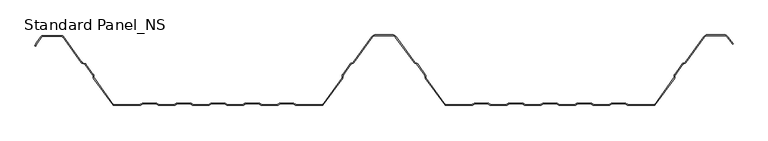
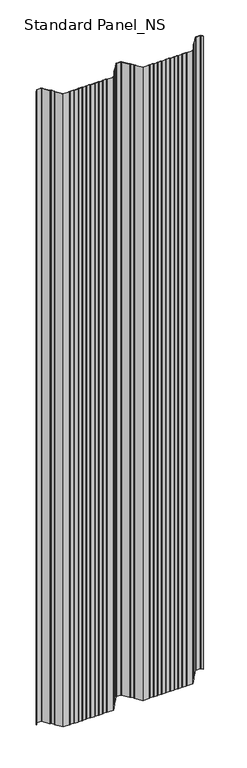
"""IFC4 building model written with IfcOpenShell, lengths in millimetres: proxy geometry, Standard Panel_NS."""

from ifc_helpers import new_model, si_unit, point, frame_2d, origin, origin_with_axes, place, context, project, spatial, polyline, circle_curve, trimmed, segment, composite_curve, outline, extrude, source, transform, mapped, element, save


def standard_panel_ns_827b58df(model_context):
    return source(origin(), model_context, "Body", "SweptSolid", [
        extrude(outline(composite_curve([segment(trimmed(circle_curve(frame_2d((-475.5977664, 97.2513951)), 2.7486049), [point((-477.8230656, 98.864737))], [point((-475.5977664, 100.0))], False, "CARTESIAN"), True, "CONTINUOUS"), segment(polyline([(-475.5977664, 100.0), (-448.4022336, 100.0)]), True, "CONTINUOUS"), segment(trimmed(circle_curve(frame_2d((-448.4022336, 97.2513951)), 2.7486049), [point((-448.4022336, 100.0))], [point((-446.1769344, 98.864737))], False, "CARTESIAN"), True, "CONTINUOUS"), segment(polyline([(-446.1769344, 98.864737), (-419.3812187, 61.9051293)]), True, "CONTINUOUS"), segment(trimmed(circle_curve(frame_2d((-417.96553, 62.9315037)), 1.7486049), [point((-419.3812187, 61.9051293))], [point((-418.5741242, 61.2922257))], True, "CARTESIAN"), True, "CONTINUOUS"), segment(polyline([(-418.5741242, 61.2922257), (-414.780451, 59.8837962)]), True, "CONTINUOUS"), segment(trimmed(circle_curve(frame_2d((-415.7370908, 57.3070406)), 2.7486049), [point((-414.780451, 59.8837962))], [point((-413.5117915, 58.9203825))], False, "CARTESIAN"), True, "CONTINUOUS"), segment(polyline([(-413.5117915, 58.9203825), (-402.7622541, 44.0934344)]), True, "CONTINUOUS"), segment(trimmed(circle_curve(frame_2d((-404.9875533, 42.4800924)), 2.7486049), [point((-402.7622541, 44.0934344))], [point((-402.2410714, 42.5881001))], False, "CARTESIAN"), True, "CONTINUOUS"), segment(polyline([(-402.2410714, 42.5881001), (-402.152896, 40.3459275)]), True, "CONTINUOUS"), segment(trimmed(circle_curve(frame_2d((-400.4056417, 40.4146398)), 1.7486049), [point((-402.152896, 40.3459275))], [point((-401.8213305, 39.3882654))], True, "CARTESIAN"), True, "CONTINUOUS"), segment(polyline([(-401.8213305, 39.3882654), (-373.9898381, 1.0), (-336.1655439, 1.0)]), True, "CONTINUOUS"), segment(trimmed(circle_curve(frame_2d((-336.1655439, 2.7486049)), 1.7486049), [point((-336.1655439, 1.0))], [point((-335.1955925, 1.2936777))], True, "CARTESIAN"), True, "CONTINUOUS"), segment(polyline([(-335.1955925, 1.2936777), (-333.32855, 2.5383726)]), True, "CONTINUOUS"), segment(trimmed(circle_curve(frame_2d((-331.8038984, 0.2513951)), 2.7486049), [point((-333.32855, 2.5383726))], [point((-331.8038984, 3.0))], False, "CARTESIAN"), True, "CONTINUOUS"), segment(polyline([(-331.8038984, 3.0), (-312.8627683, 3.0)]), True, "CONTINUOUS"), segment(trimmed(circle_curve(frame_2d((-312.8627683, 0.2513951)), 2.7486049), [point((-312.8627683, 3.0))], [point((-311.3381166, 2.5383726))], False, "CARTESIAN"), True, "CONTINUOUS"), segment(polyline([(-311.3381166, 2.5383726), (-309.4710742, 1.2936777)]), True, "CONTINUOUS"), segment(trimmed(circle_curve(frame_2d((-308.5011227, 2.7486049)), 1.7486049), [point((-309.4710742, 1.2936777))], [point((-308.5011227, 1.0))], True, "CARTESIAN"), True, "CONTINUOUS"), segment(polyline([(-308.5011227, 1.0), (-286.9988773, 1.0)]), True, "CONTINUOUS"), segment(trimmed(circle_curve(frame_2d((-286.9988773, 2.7486049)), 1.7486049), [point((-286.9988773, 1.0))], [point((-286.0289258, 1.2936777))], True, "CARTESIAN"), True, "CONTINUOUS"), segment(polyline([(-286.0289258, 1.2936777), (-284.1618834, 2.5383726)]), True, "CONTINUOUS"), segment(trimmed(circle_curve(frame_2d((-282.6372317, 0.2513951)), 2.7486049), [point((-284.1618834, 2.5383726))], [point((-282.6372317, 3.0))], False, "CARTESIAN"), True, "CONTINUOUS"), segment(polyline([(-282.6372317, 3.0), (-263.6961016, 3.0)]), True, "CONTINUOUS"), segment(trimmed(circle_curve(frame_2d((-263.6961016, 0.2513951)), 2.7486049), [point((-263.6961016, 3.0))], [point((-262.17145, 2.5383726))], False, "CARTESIAN"), True, "CONTINUOUS"), segment(polyline([(-262.17145, 2.5383726), (-260.3044075, 1.2936777)]), True, "CONTINUOUS"), segment(trimmed(circle_curve(frame_2d((-259.3344561, 2.7486049)), 1.7486049), [point((-260.3044075, 1.2936777))], [point((-259.3344561, 1.0))], True, "CARTESIAN"), True, "CONTINUOUS"), segment(polyline([(-259.3344561, 1.0), (-237.8322106, 1.0)]), True, "CONTINUOUS"), segment(trimmed(circle_curve(frame_2d((-237.8322106, 2.7486049)), 1.7486049), [point((-237.8322106, 1.0))], [point((-236.8622591, 1.2936777))], True, "CARTESIAN"), True, "CONTINUOUS"), segment(polyline([(-236.8622591, 1.2936777), (-234.9952167, 2.5383726)]), True, "CONTINUOUS"), segment(trimmed(circle_curve(frame_2d((-233.470565, 0.2513951)), 2.7486049), [point((-234.9952167, 2.5383726))], [point((-233.470565, 3.0))], False, "CARTESIAN"), True, "CONTINUOUS"), segment(polyline([(-233.470565, 3.0), (-214.529435, 3.0)]), True, "CONTINUOUS"), segment(trimmed(circle_curve(frame_2d((-214.529435, 0.2513951)), 2.7486049), [point((-214.529435, 3.0))], [point((-213.0047833, 2.5383726))], False, "CARTESIAN"), True, "CONTINUOUS"), segment(polyline([(-213.0047833, 2.5383726), (-211.1377409, 1.2936777)]), True, "CONTINUOUS"), segment(trimmed(circle_curve(frame_2d((-210.1677894, 2.7486049)), 1.7486049), [point((-211.1377409, 1.2936777))], [point((-210.1677894, 1.0))], True, "CARTESIAN"), True, "CONTINUOUS"), segment(polyline([(-210.1677894, 1.0), (-188.6655439, 1.0)]), True, "CONTINUOUS"), segment(trimmed(circle_curve(frame_2d((-188.6655439, 2.7486049)), 1.7486049), [point((-188.6655439, 1.0))], [point((-187.6955925, 1.2936777))], True, "CARTESIAN"), True, "CONTINUOUS"), segment(polyline([(-187.6955925, 1.2936777), (-185.82855, 2.5383726)]), True, "CONTINUOUS"), segment(trimmed(circle_curve(frame_2d((-184.3038984, 0.2513951)), 2.7486049), [point((-185.82855, 2.5383726))], [point((-184.3038984, 3.0))], False, "CARTESIAN"), True, "CONTINUOUS"), segment(polyline([(-184.3038984, 3.0), (-165.3627683, 3.0)]), True, "CONTINUOUS"), segment(trimmed(circle_curve(frame_2d((-165.3627683, 0.2513951)), 2.7486049), [point((-165.3627683, 3.0))], [point((-163.8381166, 2.5383726))], False, "CARTESIAN"), True, "CONTINUOUS"), segment(polyline([(-163.8381166, 2.5383726), (-161.9710742, 1.2936777)]), True, "CONTINUOUS"), segment(trimmed(circle_curve(frame_2d((-161.0011227, 2.7486049)), 1.7486049), [point((-161.9710742, 1.2936777))], [point((-161.0011227, 1.0))], True, "CARTESIAN"), True, "CONTINUOUS"), segment(polyline([(-161.0011227, 1.0), (-139.4988773, 1.0)]), True, "CONTINUOUS"), segment(trimmed(circle_curve(frame_2d((-139.4988773, 2.7486049)), 1.7486049), [point((-139.4988773, 1.0))], [point((-138.5289258, 1.2936777))], True, "CARTESIAN"), True, "CONTINUOUS"), segment(polyline([(-138.5289258, 1.2936777), (-136.6618834, 2.5383726)]), True, "CONTINUOUS"), segment(trimmed(circle_curve(frame_2d((-135.1372317, 0.2513951)), 2.7486049), [point((-136.6618834, 2.5383726))], [point((-135.1372317, 3.0))], False, "CARTESIAN"), True, "CONTINUOUS"), segment(polyline([(-135.1372317, 3.0), (-116.1961016, 3.0)]), True, "CONTINUOUS"), segment(trimmed(circle_curve(frame_2d((-116.1961016, 0.2513951)), 2.7486049), [point((-116.1961016, 3.0))], [point((-114.67145, 2.5383726))], False, "CARTESIAN"), True, "CONTINUOUS"), segment(polyline([(-114.67145, 2.5383726), (-112.8044075, 1.2936777)]), True, "CONTINUOUS"), segment(trimmed(circle_curve(frame_2d((-111.8344561, 2.7486049)), 1.7486049), [point((-112.8044075, 1.2936777))], [point((-111.8344561, 1.0))], True, "CARTESIAN"), True, "CONTINUOUS"), segment(polyline([(-111.8344561, 1.0), (-74.0101619, 1.0), (-46.1786695, 39.3882654)]), True, "CONTINUOUS"), segment(trimmed(circle_curve(frame_2d((-47.5943583, 40.4146398)), 1.7486049), [point((-46.1786695, 39.3882654))], [point((-45.847104, 40.3459275))], True, "CARTESIAN"), True, "CONTINUOUS"), segment(polyline([(-45.847104, 40.3459275), (-45.7589286, 42.5881001)]), True, "CONTINUOUS"), segment(trimmed(circle_curve(frame_2d((-43.0124467, 42.4800924)), 2.7486049), [point((-45.7589286, 42.5881001))], [point((-45.2377459, 44.0934344))], False, "CARTESIAN"), True, "CONTINUOUS"), segment(polyline([(-45.2377459, 44.0934344), (-34.1199168, 59.4283711)]), True, "CONTINUOUS"), segment(trimmed(circle_curve(frame_2d((-31.8946175, 57.8150291)), 2.7486049), [point((-34.1199168, 59.4283711))], [point((-32.8512573, 60.3917847))], False, "CARTESIAN"), True, "CONTINUOUS"), segment(polyline([(-32.8512573, 60.3917847), (-30.747646, 61.1727662)]), True, "CONTINUOUS"), segment(trimmed(circle_curve(frame_2d((-31.3562402, 62.8120441)), 1.7486049), [point((-30.747646, 61.1727662))], [point((-29.9405514, 61.7856697))], True, "CARTESIAN"), True, "CONTINUOUS"), segment(polyline([(-29.9405514, 61.7856697), (-3.306853, 98.5218054)]), True, "CONTINUOUS"), segment(trimmed(circle_curve(frame_2d((1.5508097, 95.0)), 6.0), [point((-3.306853, 98.5218054))], [point((1.5508097, 101.0))], False, "CARTESIAN"), True, "CONTINUOUS"), segment(polyline([(1.5508097, 101.0), (26.4491903, 101.0)]), True, "CONTINUOUS"), segment(trimmed(circle_curve(frame_2d((26.4491903, 95.0)), 6.0), [point((26.4491903, 101.0))], [point((31.306853, 98.5218054))], False, "CARTESIAN"), True, "CONTINUOUS"), segment(polyline([(31.306853, 98.5218054), (57.9405514, 61.7856697)]), True, "CONTINUOUS"), segment(trimmed(circle_curve(frame_2d((59.3562402, 62.8120441)), 1.7486049), [point((57.9405514, 61.7856697))], [point((58.747646, 61.1727662))], True, "CARTESIAN"), True, "CONTINUOUS"), segment(polyline([(58.747646, 61.1727662), (60.8512573, 60.3917847)]), True, "CONTINUOUS"), segment(trimmed(circle_curve(frame_2d((59.8946175, 57.8150291)), 2.7486049), [point((60.8512573, 60.3917847))], [point((62.1199168, 59.4283711))], False, "CARTESIAN"), True, "CONTINUOUS"), segment(polyline([(62.1199168, 59.4283711), (73.2377459, 44.0934344)]), True, "CONTINUOUS"), segment(trimmed(circle_curve(frame_2d((71.0124467, 42.4800924)), 2.7486049), [point((73.2377459, 44.0934344))], [point((73.7589286, 42.5881001))], False, "CARTESIAN"), True, "CONTINUOUS"), segment(polyline([(73.7589286, 42.5881001), (73.847104, 40.3459275)]), True, "CONTINUOUS"), segment(trimmed(circle_curve(frame_2d((75.5943583, 40.4146398)), 1.7486049), [point((73.847104, 40.3459275))], [point((74.1786695, 39.3882654))], True, "CARTESIAN"), True, "CONTINUOUS"), segment(polyline([(74.1786695, 39.3882654), (102.0101619, 1.0), (139.8344561, 1.0)]), True, "CONTINUOUS"), segment(trimmed(circle_curve(frame_2d((139.8344561, 2.7486049)), 1.7486049), [point((139.8344561, 1.0))], [point((140.8044075, 1.2936777))], True, "CARTESIAN"), True, "CONTINUOUS"), segment(polyline([(140.8044075, 1.2936777), (142.67145, 2.5383726)]), True, "CONTINUOUS"), segment(trimmed(circle_curve(frame_2d((144.1961016, 0.2513951)), 2.7486049), [point((142.67145, 2.5383726))], [point((144.1961016, 3.0))], False, "CARTESIAN"), True, "CONTINUOUS"), segment(polyline([(144.1961016, 3.0), (163.1372317, 3.0)]), True, "CONTINUOUS"), segment(trimmed(circle_curve(frame_2d((163.1372317, 0.2513951)), 2.7486049), [point((163.1372317, 3.0))], [point((164.6618834, 2.5383726))], False, "CARTESIAN"), True, "CONTINUOUS"), segment(polyline([(164.6618834, 2.5383726), (166.5289258, 1.2936777)]), True, "CONTINUOUS"), segment(trimmed(circle_curve(frame_2d((167.4988773, 2.7486049)), 1.7486049), [point((166.5289258, 1.2936777))], [point((167.4988773, 1.0))], True, "CARTESIAN"), True, "CONTINUOUS"), segment(polyline([(167.4988773, 1.0), (189.0011227, 1.0)]), True, "CONTINUOUS"), segment(trimmed(circle_curve(frame_2d((189.0011227, 2.7486049)), 1.7486049), [point((189.0011227, 1.0))], [point((189.9710742, 1.2936777))], True, "CARTESIAN"), True, "CONTINUOUS"), segment(polyline([(189.9710742, 1.2936777), (191.8381166, 2.5383726)]), True, "CONTINUOUS"), segment(trimmed(circle_curve(frame_2d((193.3627683, 0.2513951)), 2.7486049), [point((191.8381166, 2.5383726))], [point((193.3627683, 3.0))], False, "CARTESIAN"), True, "CONTINUOUS"), segment(polyline([(193.3627683, 3.0), (212.3038984, 3.0)]), True, "CONTINUOUS"), segment(trimmed(circle_curve(frame_2d((212.3038984, 0.2513951)), 2.7486049), [point((212.3038984, 3.0))], [point((213.82855, 2.5383726))], False, "CARTESIAN"), True, "CONTINUOUS"), segment(polyline([(213.82855, 2.5383726), (215.6955925, 1.2936777)]), True, "CONTINUOUS"), segment(trimmed(circle_curve(frame_2d((216.6655439, 2.7486049)), 1.7486049), [point((215.6955925, 1.2936777))], [point((216.6655439, 1.0))], True, "CARTESIAN"), True, "CONTINUOUS"), segment(polyline([(216.6655439, 1.0), (238.1677894, 1.0)]), True, "CONTINUOUS"), segment(trimmed(circle_curve(frame_2d((238.1677894, 2.7486049)), 1.7486049), [point((238.1677894, 1.0))], [point((239.1377409, 1.2936777))], True, "CARTESIAN"), True, "CONTINUOUS"), segment(polyline([(239.1377409, 1.2936777), (241.0047833, 2.5383726)]), True, "CONTINUOUS"), segment(trimmed(circle_curve(frame_2d((242.529435, 0.2513951)), 2.7486049), [point((241.0047833, 2.5383726))], [point((242.529435, 3.0))], False, "CARTESIAN"), True, "CONTINUOUS"), segment(polyline([(242.529435, 3.0), (261.470565, 3.0)]), True, "CONTINUOUS"), segment(trimmed(circle_curve(frame_2d((261.470565, 0.2513951)), 2.7486049), [point((261.470565, 3.0))], [point((262.9952167, 2.5383726))], False, "CARTESIAN"), True, "CONTINUOUS"), segment(polyline([(262.9952167, 2.5383726), (264.8622591, 1.2936777)]), True, "CONTINUOUS"), segment(trimmed(circle_curve(frame_2d((265.8322106, 2.7486049)), 1.7486049), [point((264.8622591, 1.2936777))], [point((265.8322106, 1.0))], True, "CARTESIAN"), True, "CONTINUOUS"), segment(polyline([(265.8322106, 1.0), (287.3344561, 1.0)]), True, "CONTINUOUS"), segment(trimmed(circle_curve(frame_2d((287.3344561, 2.7486049)), 1.7486049), [point((287.3344561, 1.0))], [point((288.3044075, 1.2936777))], True, "CARTESIAN"), True, "CONTINUOUS"), segment(polyline([(288.3044075, 1.2936777), (290.17145, 2.5383726)]), True, "CONTINUOUS"), segment(trimmed(circle_curve(frame_2d((291.6961016, 0.2513951)), 2.7486049), [point((290.17145, 2.5383726))], [point((291.6961016, 3.0))], False, "CARTESIAN"), True, "CONTINUOUS"), segment(polyline([(291.6961016, 3.0), (310.6372317, 3.0)]), True, "CONTINUOUS"), segment(trimmed(circle_curve(frame_2d((310.6372317, 0.2513951)), 2.7486049), [point((310.6372317, 3.0))], [point((312.1618834, 2.5383726))], False, "CARTESIAN"), True, "CONTINUOUS"), segment(polyline([(312.1618834, 2.5383726), (314.0289258, 1.2936777)]), True, "CONTINUOUS"), segment(trimmed(circle_curve(frame_2d((314.9988773, 2.7486049)), 1.7486049), [point((314.0289258, 1.2936777))], [point((314.9988773, 1.0))], True, "CARTESIAN"), True, "CONTINUOUS"), segment(polyline([(314.9988773, 1.0), (336.5011227, 1.0)]), True, "CONTINUOUS"), segment(trimmed(circle_curve(frame_2d((336.5011227, 2.7486049)), 1.7486049), [point((336.5011227, 1.0))], [point((337.4710742, 1.2936777))], True, "CARTESIAN"), True, "CONTINUOUS"), segment(polyline([(337.4710742, 1.2936777), (339.3381166, 2.5383726)]), True, "CONTINUOUS"), segment(trimmed(circle_curve(frame_2d((340.8627683, 0.2513951)), 2.7486049), [point((339.3381166, 2.5383726))], [point((340.8627683, 3.0))], False, "CARTESIAN"), True, "CONTINUOUS"), segment(polyline([(340.8627683, 3.0), (359.8038984, 3.0)]), True, "CONTINUOUS"), segment(trimmed(circle_curve(frame_2d((359.8038984, 0.2513951)), 2.7486049), [point((359.8038984, 3.0))], [point((361.32855, 2.5383726))], False, "CARTESIAN"), True, "CONTINUOUS"), segment(polyline([(361.32855, 2.5383726), (363.1955925, 1.2936777)]), True, "CONTINUOUS"), segment(trimmed(circle_curve(frame_2d((364.1655439, 2.7486049)), 1.7486049), [point((363.1955925, 1.2936777))], [point((364.1655439, 1.0))], True, "CARTESIAN"), True, "CONTINUOUS"), segment(polyline([(364.1655439, 1.0), (401.9898381, 1.0), (429.8213305, 39.3882654)]), True, "CONTINUOUS"), segment(trimmed(circle_curve(frame_2d((428.4056417, 40.4146398)), 1.7486049), [point((429.8213305, 39.3882654))], [point((430.152896, 40.3459275))], True, "CARTESIAN"), True, "CONTINUOUS"), segment(polyline([(430.152896, 40.3459275), (430.2410714, 42.5881001)]), True, "CONTINUOUS"), segment(trimmed(circle_curve(frame_2d((432.9875533, 42.4800924)), 2.7486049), [point((430.2410714, 42.5881001))], [point((430.7622541, 44.0934344))], False, "CARTESIAN"), True, "CONTINUOUS"), segment(polyline([(430.7622541, 44.0934344), (441.8800832, 59.4283711)]), True, "CONTINUOUS"), segment(trimmed(circle_curve(frame_2d((444.1053825, 57.8150291)), 2.7486049), [point((441.8800832, 59.4283711))], [point((443.1487427, 60.3917847))], False, "CARTESIAN"), True, "CONTINUOUS"), segment(polyline([(443.1487427, 60.3917847), (445.252354, 61.1727662)]), True, "CONTINUOUS"), segment(trimmed(circle_curve(frame_2d((444.6437598, 62.8120441)), 1.7486049), [point((445.252354, 61.1727662))], [point((446.0594486, 61.7856697))], True, "CARTESIAN"), True, "CONTINUOUS"), segment(polyline([(446.0594486, 61.7856697), (472.693147, 98.5218054)]), True, "CONTINUOUS"), segment(trimmed(circle_curve(frame_2d((477.5508097, 95.0)), 6.0), [point((472.693147, 98.5218054))], [point((477.5508097, 101.0))], False, "CARTESIAN"), True, "CONTINUOUS"), segment(polyline([(477.5508097, 101.0), (502.4491903, 101.0)]), True, "CONTINUOUS"), segment(trimmed(circle_curve(frame_2d((502.4491903, 95.0)), 6.0), [point((502.4491903, 101.0))], [point((507.306853, 98.5218054))], False, "CARTESIAN"), True, "CONTINUOUS"), segment(polyline([(507.306853, 98.5218054), (514.614124, 88.4428109), (513.8045136, 87.8558433), (506.4972426, 97.9348379)]), True, "CONTINUOUS"), segment(trimmed(circle_curve(frame_2d((502.4491903, 95.0)), 5.0), [point((506.4972426, 97.9348379))], [point((502.4491903, 100.0))], True, "CARTESIAN"), True, "CONTINUOUS"), segment(polyline([(502.4491903, 100.0), (477.5508097, 100.0)]), True, "CONTINUOUS"), segment(trimmed(circle_curve(frame_2d((477.5508097, 95.0)), 5.0), [point((477.5508097, 100.0))], [point((473.5027574, 97.9348379))], True, "CARTESIAN"), True, "CONTINUOUS"), segment(polyline([(473.5027574, 97.9348379), (446.8690591, 61.1987022)]), True, "CONTINUOUS"), segment(trimmed(circle_curve(frame_2d((444.6437598, 62.8120441)), 2.7486049), [point((446.8690591, 61.1987022))], [point((445.6003996, 60.2352885))], False, "CARTESIAN"), True, "CONTINUOUS"), segment(polyline([(445.6003996, 60.2352885), (443.4967883, 59.4543071)]), True, "CONTINUOUS"), segment(trimmed(circle_curve(frame_2d((444.1053825, 57.8150291)), 1.7486049), [point((443.4967883, 59.4543071))], [point((442.6896937, 58.8414035))], True, "CARTESIAN"), True, "CONTINUOUS"), segment(polyline([(442.6896937, 58.8414035), (431.5718646, 43.5064668)]), True, "CONTINUOUS"), segment(trimmed(circle_curve(frame_2d((432.9875533, 42.4800924)), 1.7486049), [point((431.5718646, 43.5064668))], [point((431.240299, 42.5488047))], True, "CARTESIAN"), True, "CONTINUOUS"), segment(polyline([(431.240299, 42.5488047), (431.1521237, 40.3066321)]), True, "CONTINUOUS"), segment(trimmed(circle_curve(frame_2d((428.4056417, 40.4146398)), 2.7486049), [point((431.1521237, 40.3066321))], [point((430.6309409, 38.8012978))], False, "CARTESIAN"), True, "CONTINUOUS"), segment(polyline([(430.6309409, 38.8012978), (402.5, 0.0), (364.1655439, 0.0)]), True, "CONTINUOUS"), segment(trimmed(circle_curve(frame_2d((364.1655439, 2.7486049)), 2.7486049), [point((364.1655439, 0.0))], [point((362.6408923, 0.4616274))], False, "CARTESIAN"), True, "CONTINUOUS"), segment(polyline([(362.6408923, 0.4616274), (360.7738498, 1.7063223)]), True, "CONTINUOUS"), segment(trimmed(circle_curve(frame_2d((359.8038984, 0.2513951)), 1.7486049), [point((360.7738498, 1.7063223))], [point((359.8038984, 2.0))], True, "CARTESIAN"), True, "CONTINUOUS"), segment(polyline([(359.8038984, 2.0), (340.8627683, 2.0)]), True, "CONTINUOUS"), segment(trimmed(circle_curve(frame_2d((340.8627683, 0.2513951)), 1.7486049), [point((340.8627683, 2.0))], [point((339.8928168, 1.7063223))], True, "CARTESIAN"), True, "CONTINUOUS"), segment(polyline([(339.8928168, 1.7063223), (338.0257744, 0.4616274)]), True, "CONTINUOUS"), segment(trimmed(circle_curve(frame_2d((336.5011227, 2.7486049)), 2.7486049), [point((338.0257744, 0.4616274))], [point((336.5011227, 0.0))], False, "CARTESIAN"), True, "CONTINUOUS"), segment(polyline([(336.5011227, 0.0), (314.9988773, 0.0)]), True, "CONTINUOUS"), segment(trimmed(circle_curve(frame_2d((314.9988773, 2.7486049)), 2.7486049), [point((314.9988773, 0.0))], [point((313.4742256, 0.4616274))], False, "CARTESIAN"), True, "CONTINUOUS"), segment(polyline([(313.4742256, 0.4616274), (311.6071832, 1.7063223)]), True, "CONTINUOUS"), segment(trimmed(circle_curve(frame_2d((310.6372317, 0.2513951)), 1.7486049), [point((311.6071832, 1.7063223))], [point((310.6372317, 2.0))], True, "CARTESIAN"), True, "CONTINUOUS"), segment(polyline([(310.6372317, 2.0), (291.6961016, 2.0)]), True, "CONTINUOUS"), segment(trimmed(circle_curve(frame_2d((291.6961016, 0.2513951)), 1.7486049), [point((291.6961016, 2.0))], [point((290.7261502, 1.7063223))], True, "CARTESIAN"), True, "CONTINUOUS"), segment(polyline([(290.7261502, 1.7063223), (288.8591077, 0.4616274)]), True, "CONTINUOUS"), segment(trimmed(circle_curve(frame_2d((287.3344561, 2.7486049)), 2.7486049), [point((288.8591077, 0.4616274))], [point((287.3344561, 0.0))], False, "CARTESIAN"), True, "CONTINUOUS"), segment(polyline([(287.3344561, 0.0), (265.8322106, 0.0)]), True, "CONTINUOUS"), segment(trimmed(circle_curve(frame_2d((265.8322106, 2.7486049)), 2.7486049), [point((265.8322106, 0.0))], [point((264.3075589, 0.4616274))], False, "CARTESIAN"), True, "CONTINUOUS"), segment(polyline([(264.3075589, 0.4616274), (262.4405165, 1.7063223)]), True, "CONTINUOUS"), segment(trimmed(circle_curve(frame_2d((261.470565, 0.2513951)), 1.7486049), [point((262.4405165, 1.7063223))], [point((261.470565, 2.0))], True, "CARTESIAN"), True, "CONTINUOUS"), segment(polyline([(261.470565, 2.0), (242.529435, 2.0)]), True, "CONTINUOUS"), segment(trimmed(circle_curve(frame_2d((242.529435, 0.2513951)), 1.7486049), [point((242.529435, 2.0))], [point((241.5594835, 1.7063223))], True, "CARTESIAN"), True, "CONTINUOUS"), segment(polyline([(241.5594835, 1.7063223), (239.6924411, 0.4616274)]), True, "CONTINUOUS"), segment(trimmed(circle_curve(frame_2d((238.1677894, 2.7486049)), 2.7486049), [point((239.6924411, 0.4616274))], [point((238.1677894, 0.0))], False, "CARTESIAN"), True, "CONTINUOUS"), segment(polyline([(238.1677894, 0.0), (216.6655439, 0.0)]), True, "CONTINUOUS"), segment(trimmed(circle_curve(frame_2d((216.6655439, 2.7486049)), 2.7486049), [point((216.6655439, 0.0))], [point((215.1408923, 0.4616274))], False, "CARTESIAN"), True, "CONTINUOUS"), segment(polyline([(215.1408923, 0.4616274), (213.2738498, 1.7063223)]), True, "CONTINUOUS"), segment(trimmed(circle_curve(frame_2d((212.3038984, 0.2513951)), 1.7486049), [point((213.2738498, 1.7063223))], [point((212.3038984, 2.0))], True, "CARTESIAN"), True, "CONTINUOUS"), segment(polyline([(212.3038984, 2.0), (193.3627683, 2.0)]), True, "CONTINUOUS"), segment(trimmed(circle_curve(frame_2d((193.3627683, 0.2513951)), 1.7486049), [point((193.3627683, 2.0))], [point((192.3928168, 1.7063223))], True, "CARTESIAN"), True, "CONTINUOUS"), segment(polyline([(192.3928168, 1.7063223), (190.5257744, 0.4616274)]), True, "CONTINUOUS"), segment(trimmed(circle_curve(frame_2d((189.0011227, 2.7486049)), 2.7486049), [point((190.5257744, 0.4616274))], [point((189.0011227, 0.0))], False, "CARTESIAN"), True, "CONTINUOUS"), segment(polyline([(189.0011227, 0.0), (167.4988773, 0.0)]), True, "CONTINUOUS"), segment(trimmed(circle_curve(frame_2d((167.4988773, 2.7486049)), 2.7486049), [point((167.4988773, 0.0))], [point((165.9742256, 0.4616274))], False, "CARTESIAN"), True, "CONTINUOUS"), segment(polyline([(165.9742256, 0.4616274), (164.1071832, 1.7063223)]), True, "CONTINUOUS"), segment(trimmed(circle_curve(frame_2d((163.1372317, 0.2513951)), 1.7486049), [point((164.1071832, 1.7063223))], [point((163.1372317, 2.0))], True, "CARTESIAN"), True, "CONTINUOUS"), segment(polyline([(163.1372317, 2.0), (144.1961016, 2.0)]), True, "CONTINUOUS"), segment(trimmed(circle_curve(frame_2d((144.1961016, 0.2513951)), 1.7486049), [point((144.1961016, 2.0))], [point((143.2261502, 1.7063223))], True, "CARTESIAN"), True, "CONTINUOUS"), segment(polyline([(143.2261502, 1.7063223), (141.3591077, 0.4616274)]), True, "CONTINUOUS"), segment(trimmed(circle_curve(frame_2d((139.8344561, 2.7486049)), 2.7486049), [point((141.3591077, 0.4616274))], [point((139.8344561, 0.0))], False, "CARTESIAN"), True, "CONTINUOUS"), segment(polyline([(139.8344561, 0.0), (101.5, 0.0), (73.3690591, 38.8012978)]), True, "CONTINUOUS"), segment(trimmed(circle_curve(frame_2d((75.5943583, 40.4146398)), 2.7486049), [point((73.3690591, 38.8012978))], [point((72.8478763, 40.3066321))], False, "CARTESIAN"), True, "CONTINUOUS"), segment(polyline([(72.8478763, 40.3066321), (72.759701, 42.5488047)]), True, "CONTINUOUS"), segment(trimmed(circle_curve(frame_2d((71.0124467, 42.4800924)), 1.7486049), [point((72.759701, 42.5488047))], [point((72.4281354, 43.5064668))], True, "CARTESIAN"), True, "CONTINUOUS"), segment(polyline([(72.4281354, 43.5064668), (61.3103063, 58.8414035)]), True, "CONTINUOUS"), segment(trimmed(circle_curve(frame_2d((59.8946175, 57.8150291)), 1.7486049), [point((61.3103063, 58.8414035))], [point((60.5032117, 59.4543071))], True, "CARTESIAN"), True, "CONTINUOUS"), segment(polyline([(60.5032117, 59.4543071), (58.3996004, 60.2352885)]), True, "CONTINUOUS"), segment(trimmed(circle_curve(frame_2d((59.3562402, 62.8120441)), 2.7486049), [point((58.3996004, 60.2352885))], [point((57.1309409, 61.1987022))], False, "CARTESIAN"), True, "CONTINUOUS"), segment(polyline([(57.1309409, 61.1987022), (30.4972426, 97.9348379)]), True, "CONTINUOUS"), segment(trimmed(circle_curve(frame_2d((26.4491903, 95.0)), 5.0), [point((30.4972426, 97.9348379))], [point((26.4491903, 100.0))], True, "CARTESIAN"), True, "CONTINUOUS"), segment(polyline([(26.4491903, 100.0), (1.5508097, 100.0)]), True, "CONTINUOUS"), segment(trimmed(circle_curve(frame_2d((1.5508097, 95.0)), 5.0), [point((1.5508097, 100.0))], [point((-2.4972426, 97.9348379))], True, "CARTESIAN"), True, "CONTINUOUS"), segment(polyline([(-2.4972426, 97.9348379), (-29.1309409, 61.1987022)]), True, "CONTINUOUS"), segment(trimmed(circle_curve(frame_2d((-31.3562402, 62.8120441)), 2.7486049), [point((-29.1309409, 61.1987022))], [point((-30.3996004, 60.2352885))], False, "CARTESIAN"), True, "CONTINUOUS"), segment(polyline([(-30.3996004, 60.2352885), (-32.5032117, 59.4543071)]), True, "CONTINUOUS"), segment(trimmed(circle_curve(frame_2d((-31.8946175, 57.8150291)), 1.7486049), [point((-32.5032117, 59.4543071))], [point((-33.3103063, 58.8414035))], True, "CARTESIAN"), True, "CONTINUOUS"), segment(polyline([(-33.3103063, 58.8414035), (-44.4281354, 43.5064668)]), True, "CONTINUOUS"), segment(trimmed(circle_curve(frame_2d((-43.0124467, 42.4800924)), 1.7486049), [point((-44.4281354, 43.5064668))], [point((-44.759701, 42.5488047))], True, "CARTESIAN"), True, "CONTINUOUS"), segment(polyline([(-44.759701, 42.5488047), (-44.8478763, 40.3066321)]), True, "CONTINUOUS"), segment(trimmed(circle_curve(frame_2d((-47.5943583, 40.4146398)), 2.7486049), [point((-44.8478763, 40.3066321))], [point((-45.3690591, 38.8012978))], False, "CARTESIAN"), True, "CONTINUOUS"), segment(polyline([(-45.3690591, 38.8012978), (-73.5, 0.0), (-111.8344561, 0.0)]), True, "CONTINUOUS"), segment(trimmed(circle_curve(frame_2d((-111.8344561, 2.7486049)), 2.7486049), [point((-111.8344561, 0.0))], [point((-113.3591077, 0.4616274))], False, "CARTESIAN"), True, "CONTINUOUS"), segment(polyline([(-113.3591077, 0.4616274), (-115.2261502, 1.7063223)]), True, "CONTINUOUS"), segment(trimmed(circle_curve(frame_2d((-116.1961016, 0.2513951)), 1.7486049), [point((-115.2261502, 1.7063223))], [point((-116.1961016, 2.0))], True, "CARTESIAN"), True, "CONTINUOUS"), segment(polyline([(-116.1961016, 2.0), (-135.1372317, 2.0)]), True, "CONTINUOUS"), segment(trimmed(circle_curve(frame_2d((-135.1372317, 0.2513951)), 1.7486049), [point((-135.1372317, 2.0))], [point((-136.1071832, 1.7063223))], True, "CARTESIAN"), True, "CONTINUOUS"), segment(polyline([(-136.1071832, 1.7063223), (-137.9742256, 0.4616274)]), True, "CONTINUOUS"), segment(trimmed(circle_curve(frame_2d((-139.4988773, 2.7486049)), 2.7486049), [point((-137.9742256, 0.4616274))], [point((-139.4988773, 0.0))], False, "CARTESIAN"), True, "CONTINUOUS"), segment(polyline([(-139.4988773, 0.0), (-161.0011227, 0.0)]), True, "CONTINUOUS"), segment(trimmed(circle_curve(frame_2d((-161.0011227, 2.7486049)), 2.7486049), [point((-161.0011227, 0.0))], [point((-162.5257744, 0.4616274))], False, "CARTESIAN"), True, "CONTINUOUS"), segment(polyline([(-162.5257744, 0.4616274), (-164.3928168, 1.7063223)]), True, "CONTINUOUS"), segment(trimmed(circle_curve(frame_2d((-165.3627683, 0.2513951)), 1.7486049), [point((-164.3928168, 1.7063223))], [point((-165.3627683, 2.0))], True, "CARTESIAN"), True, "CONTINUOUS"), segment(polyline([(-165.3627683, 2.0), (-184.3038984, 2.0)]), True, "CONTINUOUS"), segment(trimmed(circle_curve(frame_2d((-184.3038984, 0.2513951)), 1.7486049), [point((-184.3038984, 2.0))], [point((-185.2738498, 1.7063223))], True, "CARTESIAN"), True, "CONTINUOUS"), segment(polyline([(-185.2738498, 1.7063223), (-187.1408923, 0.4616274)]), True, "CONTINUOUS"), segment(trimmed(circle_curve(frame_2d((-188.6655439, 2.7486049)), 2.7486049), [point((-187.1408923, 0.4616274))], [point((-188.6655439, 0.0))], False, "CARTESIAN"), True, "CONTINUOUS"), segment(polyline([(-188.6655439, 0.0), (-210.1677894, 0.0)]), True, "CONTINUOUS"), segment(trimmed(circle_curve(frame_2d((-210.1677894, 2.7486049)), 2.7486049), [point((-210.1677894, 0.0))], [point((-211.6924411, 0.4616274))], False, "CARTESIAN"), True, "CONTINUOUS"), segment(polyline([(-211.6924411, 0.4616274), (-213.5594835, 1.7063223)]), True, "CONTINUOUS"), segment(trimmed(circle_curve(frame_2d((-214.529435, 0.2513951)), 1.7486049), [point((-213.5594835, 1.7063223))], [point((-214.529435, 2.0))], True, "CARTESIAN"), True, "CONTINUOUS"), segment(polyline([(-214.529435, 2.0), (-233.470565, 2.0)]), True, "CONTINUOUS"), segment(trimmed(circle_curve(frame_2d((-233.470565, 0.2513951)), 1.7486049), [point((-233.470565, 2.0))], [point((-234.4405165, 1.7063223))], True, "CARTESIAN"), True, "CONTINUOUS"), segment(polyline([(-234.4405165, 1.7063223), (-236.3075589, 0.4616274)]), True, "CONTINUOUS"), segment(trimmed(circle_curve(frame_2d((-237.8322106, 2.7486049)), 2.7486049), [point((-236.3075589, 0.4616274))], [point((-237.8322106, 0.0))], False, "CARTESIAN"), True, "CONTINUOUS"), segment(polyline([(-237.8322106, 0.0), (-259.3344561, 0.0)]), True, "CONTINUOUS"), segment(trimmed(circle_curve(frame_2d((-259.3344561, 2.7486049)), 2.7486049), [point((-259.3344561, 0.0))], [point((-260.8591077, 0.4616274))], False, "CARTESIAN"), True, "CONTINUOUS"), segment(polyline([(-260.8591077, 0.4616274), (-262.7261502, 1.7063223)]), True, "CONTINUOUS"), segment(trimmed(circle_curve(frame_2d((-263.6961016, 0.2513951)), 1.7486049), [point((-262.7261502, 1.7063223))], [point((-263.6961016, 2.0))], True, "CARTESIAN"), True, "CONTINUOUS"), segment(polyline([(-263.6961016, 2.0), (-282.6372317, 2.0)]), True, "CONTINUOUS"), segment(trimmed(circle_curve(frame_2d((-282.6372317, 0.2513951)), 1.7486049), [point((-282.6372317, 2.0))], [point((-283.6071832, 1.7063223))], True, "CARTESIAN"), True, "CONTINUOUS"), segment(polyline([(-283.6071832, 1.7063223), (-285.4742256, 0.4616274)]), True, "CONTINUOUS"), segment(trimmed(circle_curve(frame_2d((-286.9988773, 2.7486049)), 2.7486049), [point((-285.4742256, 0.4616274))], [point((-286.9988773, 0.0))], False, "CARTESIAN"), True, "CONTINUOUS"), segment(polyline([(-286.9988773, 0.0), (-308.5011227, 0.0)]), True, "CONTINUOUS"), segment(trimmed(circle_curve(frame_2d((-308.5011227, 2.7486049)), 2.7486049), [point((-308.5011227, 0.0))], [point((-310.0257744, 0.4616274))], False, "CARTESIAN"), True, "CONTINUOUS"), segment(polyline([(-310.0257744, 0.4616274), (-311.8928168, 1.7063223)]), True, "CONTINUOUS"), segment(trimmed(circle_curve(frame_2d((-312.8627683, 0.2513951)), 1.7486049), [point((-311.8928168, 1.7063223))], [point((-312.8627683, 2.0))], True, "CARTESIAN"), True, "CONTINUOUS"), segment(polyline([(-312.8627683, 2.0), (-331.8038984, 2.0)]), True, "CONTINUOUS"), segment(trimmed(circle_curve(frame_2d((-331.8038984, 0.2513951)), 1.7486049), [point((-331.8038984, 2.0))], [point((-332.7738498, 1.7063223))], True, "CARTESIAN"), True, "CONTINUOUS"), segment(polyline([(-332.7738498, 1.7063223), (-334.6408923, 0.4616274)]), True, "CONTINUOUS"), segment(trimmed(circle_curve(frame_2d((-336.1655439, 2.7486049)), 2.7486049), [point((-334.6408923, 0.4616274))], [point((-336.1655439, 0.0))], False, "CARTESIAN"), True, "CONTINUOUS"), segment(polyline([(-336.1655439, 0.0), (-374.5, 0.0), (-402.6309409, 38.8012978)]), True, "CONTINUOUS"), segment(trimmed(circle_curve(frame_2d((-400.4056417, 40.4146398)), 2.7486049), [point((-402.6309409, 38.8012978))], [point((-403.1521237, 40.3066321))], False, "CARTESIAN"), True, "CONTINUOUS"), segment(polyline([(-403.1521237, 40.3066321), (-403.240299, 42.5488047)]), True, "CONTINUOUS"), segment(trimmed(circle_curve(frame_2d((-404.9875533, 42.4800924)), 1.7486049), [point((-403.240299, 42.5488047))], [point((-403.5718646, 43.5064668))], True, "CARTESIAN"), True, "CONTINUOUS"), segment(polyline([(-403.5718646, 43.5064668), (-414.321402, 58.333415)]), True, "CONTINUOUS"), segment(trimmed(circle_curve(frame_2d((-415.7370908, 57.3070406)), 1.7486049), [point((-414.321402, 58.333415))], [point((-415.1284966, 58.9463185))], True, "CARTESIAN"), True, "CONTINUOUS"), segment(polyline([(-415.1284966, 58.9463185), (-418.9221697, 60.3547481)]), True, "CONTINUOUS"), segment(trimmed(circle_curve(frame_2d((-417.96553, 62.9315037)), 2.7486049), [point((-418.9221697, 60.3547481))], [point((-420.1908292, 61.3181617))], False, "CARTESIAN"), True, "CONTINUOUS"), segment(polyline([(-420.1908292, 61.3181617), (-446.9865448, 98.2777695)]), True, "CONTINUOUS"), segment(trimmed(circle_curve(frame_2d((-448.4022336, 97.2513951)), 1.7486049), [point((-446.9865448, 98.2777695))], [point((-448.4022336, 99.0))], True, "CARTESIAN"), True, "CONTINUOUS"), segment(polyline([(-448.4022336, 99.0), (-475.5977664, 99.0)]), True, "CONTINUOUS"), segment(trimmed(circle_curve(frame_2d((-475.5977664, 97.2513951)), 1.7486049), [point((-475.5977664, 99.0))], [point((-477.0134552, 98.2777695))], True, "CARTESIAN"), True, "CONTINUOUS"), segment(polyline([(-477.0134552, 98.2777695), (-483.5334489, 89.2846747), (-485.6935696, 84.9550455), (-486.5883845, 85.4014829), (-484.391455, 89.8048897), (-477.8230656, 98.864737)]), True, "CONTINUOUS")], self_intersect=False)), origin_with_axes(), (0.0, 0.0, 1.0), 4000.0),
    ])


if __name__ == "__main__":
    model = new_model("IFC4")
    model_context = context("Model", 3, world=origin())
    ifc_project = project(units=[si_unit("LENGTHUNIT", "METRE", prefix="MILLI")], contexts=[model_context])
    site = spatial("IfcSite", under=ifc_project)
    building = spatial("IfcBuilding", under=site)
    placement = place(None, origin())
    standard_panel_ns_shape = standard_panel_ns_827b58df(model_context)
    element("IfcBuildingElementProxy", 1, Name="Standard Panel_NS", ObjectType="Standard Panel_NS", at=placement, inside=building, context=model_context, shape_type="MappedRepresentation", body=[
        mapped(standard_panel_ns_shape, transform((0.0, 0.0, 0.0), x_axis=(1.0, 0.0, 0.0), y_axis=(0.0, 1.0, 0.0), z_axis=(0.0, 0.0, 1.0))),
    ])
    save(model, "model.ifc")
